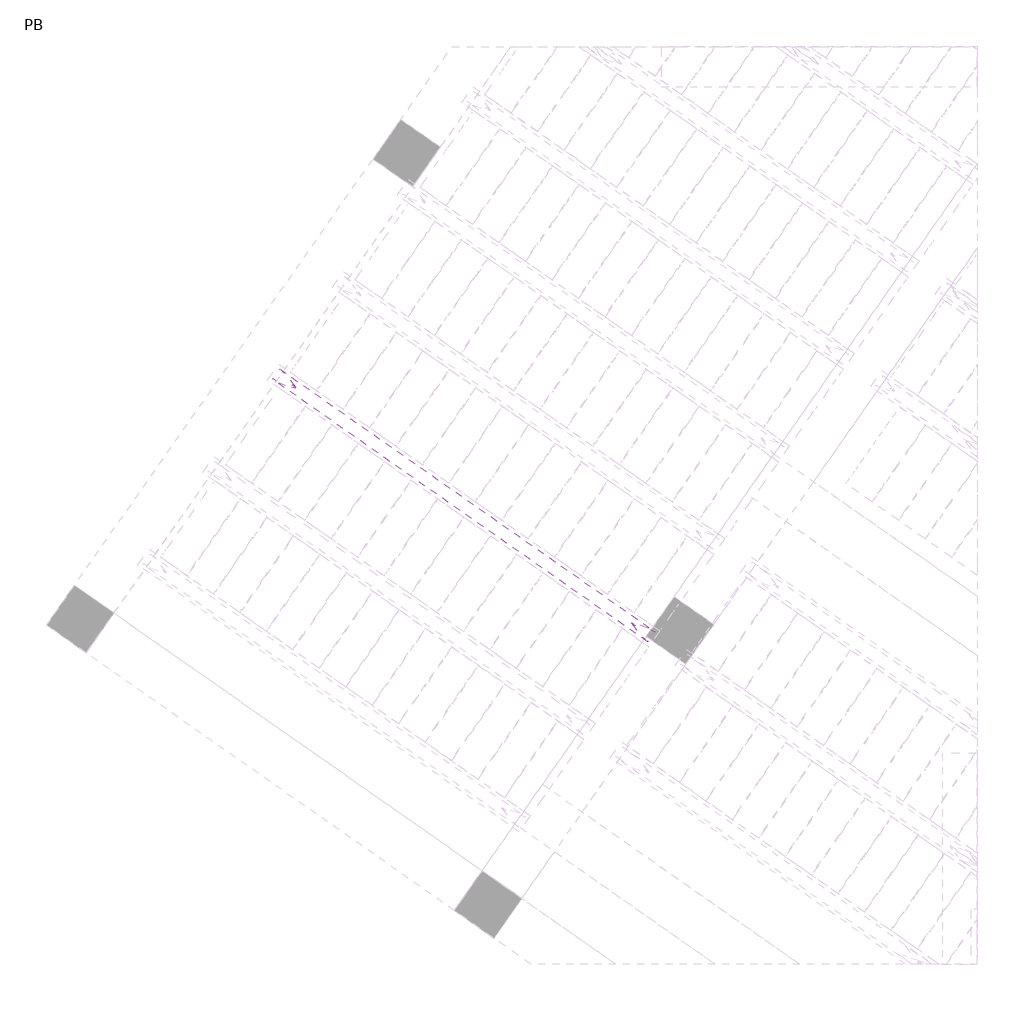
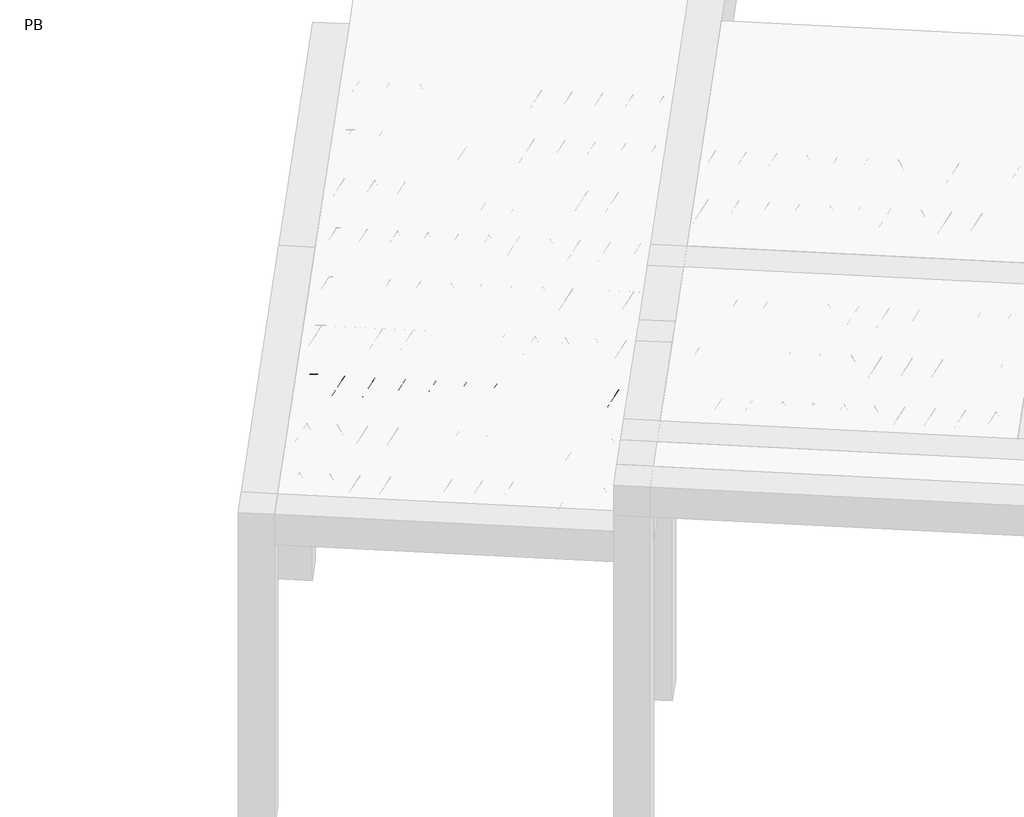
# One storey, part 15 of 56: 1 beam.
"""IFC4 building model written with IfcOpenShell, lengths in millimetres."""

from ifc_helpers import new_model, si_unit, point, frame, origin, origin_2d, place, context, project, spatial, circle_curve, trimmed, segment, composite_curve, outline, extrude, element, save

model = new_model("IFC4")

# Units and contexts
model_context = context("Model", 3, world=origin())
ifc_project = project(units=[si_unit("LENGTHUNIT", "METRE", prefix="MILLI")], contexts=[model_context])

# Site, building, storey
site = spatial("IfcSite", under=ifc_project)
building = spatial("IfcBuilding", under=site)
storey = spatial("IfcBuildingStorey", under=building, Name="PB", Elevation=95940.0)

# Beam
placement = place(None, origin())
element("IfcBeam", 1, at=placement, inside=storey, context=model_context, shape_type="SweptSolid", body=[
    extrude(outline(composite_curve([segment(trimmed(circle_curve(origin_2d(), 2.5), [point((-2.4999999, 0.0))], [point((2.5, 0.0))], False, "CARTESIAN"), True, "CONTINUOUS"), segment(trimmed(circle_curve(origin_2d(), 2.5), [point((2.5, 0.0))], [point((-2.4999999, 0.0))], False, "CARTESIAN"), True, "CONTINUOUS")], self_intersect=False)), frame((1945.5085903, 2195.4218762, 98785.0), z_axis=(-0.8191520442696126, 0.5735764363787226, 0.0), x_axis=(0.5735764363787226, 0.8191520442696126, 0.0)), (0.0, 0.0, 1.0), 2836.708809),
    extrude(outline(composite_curve([segment(trimmed(circle_curve(origin_2d(), 2.5), [point((-2.5, 0.0))], [point((2.5, 0.0))], False, "CARTESIAN"), True, "CONTINUOUS"), segment(trimmed(circle_curve(origin_2d(), 2.5), [point((2.5, 0.0))], [point((-2.5, 0.0))], False, "CARTESIAN"), True, "CONTINUOUS")], self_intersect=False)), frame((1869.2070896, 2292.7966474, 99010.0), z_axis=(-0.8191520442696126, 0.5735764363787226, 0.0), x_axis=(0.5735764363787226, 0.8191520442696126, 0.0)), (0.0, 0.0, 1.0), 2600.0),
    extrude(outline(composite_curve([segment(trimmed(circle_curve(origin_2d(), 2.5), [point((-2.5, 0.0))], [point((2.5, 0.0))], False, "CARTESIAN"), True, "CONTINUOUS"), segment(trimmed(circle_curve(origin_2d(), 2.5), [point((2.5, 0.0))], [point((-2.5, 0.0))], False, "CARTESIAN"), True, "CONTINUOUS")], self_intersect=False)), frame((1909.9947412, 2220.2889411, 98785.0), z_axis=(-0.3145304735701046, 0.38933448886848654, 0.8657304643902053), x_axis=(0.7778747638402499, 0.6284193279813057, 0.0)), (0.0, 0.0, 1.0), 259.8961331),
    extrude(outline(composite_curve([segment(trimmed(circle_curve(origin_2d(), 2.5), [point((2.5, 0.0))], [point((-2.5, 0.0))], False, "CARTESIAN"), True, "CONTINUOUS"), segment(trimmed(circle_curve(origin_2d(), 2.5), [point((-2.5, 0.0))], [point((2.5, 0.0))], False, "CARTESIAN"), True, "CONTINUOUS")], self_intersect=False)), frame((1705.2067301, 2363.6830502, 98785.0), z_axis=(0.47343050384693375, -0.16240172737369005, 0.8657304643902051), x_axis=(-0.3244721671091268, -0.9458952440791246, 0.0)), (0.0, 0.0, 1.0), 259.8961331),
    extrude(outline(composite_curve([segment(trimmed(circle_curve(origin_2d(), 2.5), [point((-2.5, -1e-07))], [point((2.5, 0.0))], False, "CARTESIAN"), True, "CONTINUOUS"), segment(trimmed(circle_curve(origin_2d(), 2.5), [point((2.5, 0.0))], [point((-2.5, -1e-07))], False, "CARTESIAN"), True, "CONTINUOUS")], self_intersect=False)), frame((1705.2067301, 2363.6830502, 98785.0), z_axis=(-0.3145304735701046, 0.38933448886848654, 0.8657304643902053), x_axis=(0.7778747638402499, 0.6284193279813057, 0.0)), (0.0, 0.0, 1.0), 259.8961331),
    extrude(outline(composite_curve([segment(trimmed(circle_curve(origin_2d(), 2.5), [point((2.5, -1e-07))], [point((-2.5, 0.0))], False, "CARTESIAN"), True, "CONTINUOUS"), segment(trimmed(circle_curve(origin_2d(), 2.5), [point((-2.5, 0.0))], [point((2.5, -1e-07))], False, "CARTESIAN"), True, "CONTINUOUS")], self_intersect=False)), frame((1500.4187191, 2507.0771593, 98785.0), z_axis=(0.47343050384693375, -0.16240172737369005, 0.8657304643902051), x_axis=(-0.3244721671091268, -0.9458952440791246, 0.0)), (0.0, 0.0, 1.0), 259.8961331),
    extrude(outline(composite_curve([segment(trimmed(circle_curve(origin_2d(), 2.5), [point((-2.5000001, 0.0))], [point((2.5, 0.0))], False, "CARTESIAN"), True, "CONTINUOUS"), segment(trimmed(circle_curve(origin_2d(), 2.5), [point((2.5, 0.0))], [point((-2.5000001, 0.0))], False, "CARTESIAN"), True, "CONTINUOUS")], self_intersect=False)), frame((1500.4187191, 2507.0771593, 98785.0), z_axis=(-0.3145304735701046, 0.38933448886848654, 0.8657304643902053), x_axis=(0.7778747638402499, 0.6284193279813057, 0.0)), (0.0, 0.0, 1.0), 259.8961331),
    extrude(outline(composite_curve([segment(trimmed(circle_curve(origin_2d(), 2.5), [point((2.5000001, 0.0))], [point((-2.5, 0.0))], False, "CARTESIAN"), True, "CONTINUOUS"), segment(trimmed(circle_curve(origin_2d(), 2.5), [point((-2.5, 0.0))], [point((2.5000001, 0.0))], False, "CARTESIAN"), True, "CONTINUOUS")], self_intersect=False)), frame((1295.630708, 2650.4712684, 98785.0), z_axis=(0.47343050384693375, -0.16240172737369005, 0.8657304643902051), x_axis=(-0.3244721671091268, -0.9458952440791246, 0.0)), (0.0, 0.0, 1.0), 259.8961331),
    extrude(outline(composite_curve([segment(trimmed(circle_curve(origin_2d(), 2.5), [point((-2.5, -1e-07))], [point((2.5, 0.0))], False, "CARTESIAN"), True, "CONTINUOUS"), segment(trimmed(circle_curve(origin_2d(), 2.5), [point((2.5, 0.0))], [point((-2.5, -1e-07))], False, "CARTESIAN"), True, "CONTINUOUS")], self_intersect=False)), frame((1295.630708, 2650.4712684, 98785.0), z_axis=(-0.3145304735701046, 0.38933448886848654, 0.8657304643902053), x_axis=(0.7778747638402499, 0.6284193279813057, 0.0)), (0.0, 0.0, 1.0), 259.8961331),
    extrude(outline(composite_curve([segment(trimmed(circle_curve(origin_2d(), 2.5), [point((2.5000001, 0.0))], [point((-2.5, 0.0))], False, "CARTESIAN"), True, "CONTINUOUS"), segment(trimmed(circle_curve(origin_2d(), 2.5), [point((-2.5, 0.0))], [point((2.5000001, 0.0))], False, "CARTESIAN"), True, "CONTINUOUS")], self_intersect=False)), frame((1090.8426969, 2793.8653775, 98785.0), z_axis=(0.47343050384693375, -0.16240172737369005, 0.8657304643902051), x_axis=(-0.3244721671091268, -0.9458952440791246, 0.0)), (0.0, 0.0, 1.0), 259.8961331),
    extrude(outline(composite_curve([segment(trimmed(circle_curve(origin_2d(), 2.5), [point((-2.5, 0.0))], [point((2.5, 0.0))], False, "CARTESIAN"), True, "CONTINUOUS"), segment(trimmed(circle_curve(origin_2d(), 2.5), [point((2.5, 0.0))], [point((-2.5, 0.0))], False, "CARTESIAN"), True, "CONTINUOUS")], self_intersect=False)), frame((1090.8426966, 2793.8653777, 98785.0), z_axis=(-0.3145304735701046, 0.38933448886848654, 0.8657304643902053), x_axis=(0.7778747638402499, 0.6284193279813057, 0.0)), (0.0, 0.0, 1.0), 259.8961331),
    extrude(outline(composite_curve([segment(trimmed(circle_curve(origin_2d(), 2.5), [point((2.5, 0.0))], [point((-2.5, 0.0))], False, "CARTESIAN"), True, "CONTINUOUS"), segment(trimmed(circle_curve(origin_2d(), 2.5), [point((-2.5, 0.0))], [point((2.5, 0.0))], False, "CARTESIAN"), True, "CONTINUOUS")], self_intersect=False)), frame((886.0546855, 2937.2594868, 98785.0), z_axis=(0.47343050384693375, -0.16240172737369005, 0.8657304643902051), x_axis=(-0.3244721671091268, -0.9458952440791246, 0.0)), (0.0, 0.0, 1.0), 259.8961331),
    extrude(outline(composite_curve([segment(trimmed(circle_curve(origin_2d(), 2.5), [point((-2.5, 0.0))], [point((2.5, 0.0))], False, "CARTESIAN"), True, "CONTINUOUS"), segment(trimmed(circle_curve(origin_2d(), 2.5), [point((2.5, 0.0))], [point((-2.5, 0.0))], False, "CARTESIAN"), True, "CONTINUOUS")], self_intersect=False)), frame((886.0546855, 2937.2594868, 98785.0), z_axis=(-0.3145304735701046, 0.38933448886848654, 0.8657304643902053), x_axis=(0.7778747638402499, 0.6284193279813057, 0.0)), (0.0, 0.0, 1.0), 259.8961331),
    extrude(outline(composite_curve([segment(trimmed(circle_curve(origin_2d(), 2.5), [point((2.5, -1e-07))], [point((-2.5, 0.0))], False, "CARTESIAN"), True, "CONTINUOUS"), segment(trimmed(circle_curve(origin_2d(), 2.5), [point((-2.5, 0.0))], [point((2.5, -1e-07))], False, "CARTESIAN"), True, "CONTINUOUS")], self_intersect=False)), frame((681.2666745, 3080.6535959, 98785.0), z_axis=(0.47343050384693375, -0.16240172737369005, 0.8657304643902051), x_axis=(-0.3244721671091268, -0.9458952440791246, 0.0)), (0.0, 0.0, 1.0), 259.8961331),
    extrude(outline(composite_curve([segment(trimmed(circle_curve(origin_2d(), 2.5), [point((-2.5000001, 1e-07))], [point((2.5, 0.0))], False, "CARTESIAN"), True, "CONTINUOUS"), segment(trimmed(circle_curve(origin_2d(), 2.5), [point((2.5, 0.0))], [point((-2.5000001, 1e-07))], False, "CARTESIAN"), True, "CONTINUOUS")], self_intersect=False)), frame((681.2666745, 3080.6535959, 98785.0), z_axis=(-0.3145304735701046, 0.38933448886848654, 0.8657304643902053), x_axis=(0.7778747638402499, 0.6284193279813057, 0.0)), (0.0, 0.0, 1.0), 259.8961331),
    extrude(outline(composite_curve([segment(trimmed(circle_curve(origin_2d(), 2.5), [point((2.5, 0.0))], [point((-2.5, 0.0))], False, "CARTESIAN"), True, "CONTINUOUS"), segment(trimmed(circle_curve(origin_2d(), 2.5), [point((-2.5, 0.0))], [point((2.5, 0.0))], False, "CARTESIAN"), True, "CONTINUOUS")], self_intersect=False)), frame((476.4786634, 3224.047705, 98785.0), z_axis=(0.47343050384693375, -0.16240172737369005, 0.8657304643902051), x_axis=(-0.3244721671091268, -0.9458952440791246, 0.0)), (0.0, 0.0, 1.0), 259.8961331),
    extrude(outline(composite_curve([segment(trimmed(circle_curve(origin_2d(), 2.5), [point((-2.5, -1e-07))], [point((2.5, 0.0))], False, "CARTESIAN"), True, "CONTINUOUS"), segment(trimmed(circle_curve(origin_2d(), 2.5), [point((2.5, 0.0))], [point((-2.5, -1e-07))], False, "CARTESIAN"), True, "CONTINUOUS")], self_intersect=False)), frame((476.4786634, 3224.047705, 98785.0), z_axis=(-0.3145304735701046, 0.38933448886848654, 0.8657304643902053), x_axis=(0.7778747638402499, 0.6284193279813057, 0.0)), (0.0, 0.0, 1.0), 259.8961331),
    extrude(outline(composite_curve([segment(trimmed(circle_curve(origin_2d(), 2.5), [point((2.5, 0.0))], [point((-2.5, 0.0))], False, "CARTESIAN"), True, "CONTINUOUS"), segment(trimmed(circle_curve(origin_2d(), 2.5), [point((-2.5, 0.0))], [point((2.5, 0.0))], False, "CARTESIAN"), True, "CONTINUOUS")], self_intersect=False)), frame((271.6906523, 3367.4418141, 98785.0), z_axis=(0.47343050384693375, -0.16240172737369005, 0.8657304643902051), x_axis=(-0.3244721671091268, -0.9458952440791246, 0.0)), (0.0, 0.0, 1.0), 259.8961331),
    extrude(outline(composite_curve([segment(trimmed(circle_curve(origin_2d(), 2.5), [point((-2.5, -1e-07))], [point((2.5, 0.0))], False, "CARTESIAN"), True, "CONTINUOUS"), segment(trimmed(circle_curve(origin_2d(), 2.5), [point((2.5, 0.0))], [point((-2.5, -1e-07))], False, "CARTESIAN"), True, "CONTINUOUS")], self_intersect=False)), frame((271.6906523, 3367.4418141, 98785.0), z_axis=(-0.3145304735701046, 0.38933448886848654, 0.8657304643902053), x_axis=(0.7778747638402499, 0.6284193279813057, 0.0)), (0.0, 0.0, 1.0), 259.8961331),
    extrude(outline(composite_curve([segment(trimmed(circle_curve(origin_2d(), 2.5), [point((2.5000001, 0.0))], [point((-2.5, 0.0))], False, "CARTESIAN"), True, "CONTINUOUS"), segment(trimmed(circle_curve(origin_2d(), 2.5), [point((-2.5, 0.0))], [point((2.5000001, 0.0))], False, "CARTESIAN"), True, "CONTINUOUS")], self_intersect=False)), frame((66.9026413, 3510.8359232, 98785.0), z_axis=(0.47343050384693375, -0.16240172737369005, 0.8657304643902051), x_axis=(-0.3244721671091268, -0.9458952440791246, 0.0)), (0.0, 0.0, 1.0), 259.8961331),
    extrude(outline(composite_curve([segment(trimmed(circle_curve(origin_2d(), 2.5), [point((-2.5000001, 0.0))], [point((2.5, 0.0))], False, "CARTESIAN"), True, "CONTINUOUS"), segment(trimmed(circle_curve(origin_2d(), 2.5), [point((2.5, 0.0))], [point((-2.5000001, 0.0))], False, "CARTESIAN"), True, "CONTINUOUS")], self_intersect=False)), frame((66.9026413, 3510.8359232, 98785.0), z_axis=(-0.3145304735701046, 0.38933448886848654, 0.8657304643902053), x_axis=(0.7778747638402499, 0.6284193279813057, 0.0)), (0.0, 0.0, 1.0), 259.8961331),
    extrude(outline(composite_curve([segment(trimmed(circle_curve(origin_2d(), 2.5), [point((2.5, 0.0))], [point((-2.5000001, 0.0))], False, "CARTESIAN"), True, "CONTINUOUS"), segment(trimmed(circle_curve(origin_2d(), 2.5), [point((-2.5000001, 0.0))], [point((2.5, 0.0))], False, "CARTESIAN"), True, "CONTINUOUS")], self_intersect=False)), frame((-137.8853698, 3654.2300322, 98785.0), z_axis=(0.47343050384693375, -0.16240172737369005, 0.8657304643902051), x_axis=(-0.3244721671091268, -0.9458952440791246, 0.0)), (0.0, 0.0, 1.0), 259.8961331),
    extrude(outline(composite_curve([segment(trimmed(circle_curve(origin_2d(), 2.5), [point((-2.5, -1e-07))], [point((2.5, 0.0))], False, "CARTESIAN"), True, "CONTINUOUS"), segment(trimmed(circle_curve(origin_2d(), 2.5), [point((2.5, 0.0))], [point((-2.5, -1e-07))], False, "CARTESIAN"), True, "CONTINUOUS")], self_intersect=False)), frame((-137.8853698, 3654.2300323, 98785.0), z_axis=(-0.3145304735701046, 0.38933448886848654, 0.8657304643902053), x_axis=(0.7778747638402499, 0.6284193279813057, 0.0)), (0.0, 0.0, 1.0), 259.8961331),
    extrude(outline(composite_curve([segment(trimmed(circle_curve(origin_2d(), 2.5), [point((2.5, 0.0))], [point((-2.5000001, 0.0))], False, "CARTESIAN"), True, "CONTINUOUS"), segment(trimmed(circle_curve(origin_2d(), 2.5), [point((-2.5000001, 0.0))], [point((2.5, 0.0))], False, "CARTESIAN"), True, "CONTINUOUS")], self_intersect=False)), frame((-342.6733809, 3797.6241413, 98785.0), z_axis=(0.47343050384693375, -0.16240172737369005, 0.8657304643902051), x_axis=(-0.3244721671091268, -0.9458952440791246, 0.0)), (0.0, 0.0, 1.0), 259.8961331),
    extrude(outline(composite_curve([segment(trimmed(circle_curve(origin_2d(), 2.5), [point((-2.5, 0.0))], [point((2.5, 0.0))], False, "CARTESIAN"), True, "CONTINUOUS"), segment(trimmed(circle_curve(origin_2d(), 2.5), [point((2.5, 0.0))], [point((-2.5, 0.0))], False, "CARTESIAN"), True, "CONTINUOUS")], self_intersect=False)), frame((1986.8060938, 2254.4008234, 98785.0), z_axis=(-0.8191520442696126, 0.5735764363787226, 0.0), x_axis=(0.5735764363787226, 0.8191520442696126, 0.0)), (0.0, 0.0, 1.0), 2836.708809),
    extrude(outline(composite_curve([segment(trimmed(circle_curve(origin_2d(), 2.5), [point((-2.5, 0.0))], [point((2.5, 0.0))], False, "CARTESIAN"), True, "CONTINUOUS"), segment(trimmed(circle_curve(origin_2d(), 2.5), [point((2.5, 0.0))], [point((-2.5, 0.0))], False, "CARTESIAN"), True, "CONTINUOUS")], self_intersect=False)), frame((1951.2922446, 2279.2678883, 98785.0), z_axis=(-0.47343050384693375, 0.16240172737369005, 0.8657304643902051), x_axis=(0.3244721671091268, 0.9458952440791246, 0.0)), (0.0, 0.0, 1.0), 259.8961331),
    extrude(outline(composite_curve([segment(trimmed(circle_curve(origin_2d(), 2.5), [point((2.5, 1e-07))], [point((-2.5000001, 1e-07))], False, "CARTESIAN"), True, "CONTINUOUS"), segment(trimmed(circle_curve(origin_2d(), 2.5), [point((-2.5000001, 1e-07))], [point((2.5, 1e-07))], False, "CARTESIAN"), True, "CONTINUOUS")], self_intersect=False)), frame((1746.5042335, 2422.6619974, 98785.0), z_axis=(0.3145304735701046, -0.38933448886848654, 0.8657304643902053), x_axis=(-0.7778747638402499, -0.6284193279813057, 0.0)), (0.0, 0.0, 1.0), 259.8961331),
    extrude(outline(composite_curve([segment(trimmed(circle_curve(origin_2d(), 2.5), [point((-2.5000001, 0.0))], [point((2.5, -1e-07))], False, "CARTESIAN"), True, "CONTINUOUS"), segment(trimmed(circle_curve(origin_2d(), 2.5), [point((2.5, -1e-07))], [point((-2.5000001, 0.0))], False, "CARTESIAN"), True, "CONTINUOUS")], self_intersect=False)), frame((1746.5042335, 2422.6619974, 98785.0), z_axis=(-0.47343050384693375, 0.16240172737369005, 0.8657304643902051), x_axis=(0.3244721671091268, 0.9458952440791246, 0.0)), (0.0, 0.0, 1.0), 259.8961331),
    extrude(outline(composite_curve([segment(trimmed(circle_curve(origin_2d(), 2.5), [point((2.5, 0.0))], [point((-2.5, -1e-07))], False, "CARTESIAN"), True, "CONTINUOUS"), segment(trimmed(circle_curve(origin_2d(), 2.5), [point((-2.5, -1e-07))], [point((2.5, 0.0))], False, "CARTESIAN"), True, "CONTINUOUS")], self_intersect=False)), frame((1541.7162225, 2566.0561064, 98785.0), z_axis=(0.3145304735701046, -0.38933448886848654, 0.8657304643902053), x_axis=(-0.7778747638402499, -0.6284193279813057, 0.0)), (0.0, 0.0, 1.0), 259.8961331),
    extrude(outline(composite_curve([segment(trimmed(circle_curve(origin_2d(), 2.5), [point((-2.5000001, 0.0))], [point((2.5, 0.0))], False, "CARTESIAN"), True, "CONTINUOUS"), segment(trimmed(circle_curve(origin_2d(), 2.5), [point((2.5, 0.0))], [point((-2.5000001, 0.0))], False, "CARTESIAN"), True, "CONTINUOUS")], self_intersect=False)), frame((1541.7162225, 2566.0561065, 98785.0), z_axis=(-0.47343050384693375, 0.16240172737369005, 0.8657304643902051), x_axis=(0.3244721671091268, 0.9458952440791246, 0.0)), (0.0, 0.0, 1.0), 259.8961331),
    extrude(outline(composite_curve([segment(trimmed(circle_curve(origin_2d(), 2.5), [point((2.5, 0.0))], [point((-2.5, -1e-07))], False, "CARTESIAN"), True, "CONTINUOUS"), segment(trimmed(circle_curve(origin_2d(), 2.5), [point((-2.5, -1e-07))], [point((2.5, 0.0))], False, "CARTESIAN"), True, "CONTINUOUS")], self_intersect=False)), frame((1336.9282114, 2709.4502155, 98785.0), z_axis=(0.3145304735701046, -0.38933448886848654, 0.8657304643902053), x_axis=(-0.7778747638402499, -0.6284193279813057, 0.0)), (0.0, 0.0, 1.0), 259.8961331),
    extrude(outline(composite_curve([segment(trimmed(circle_curve(origin_2d(), 2.5), [point((-2.5, 0.0))], [point((2.5000001, 0.0))], False, "CARTESIAN"), True, "CONTINUOUS"), segment(trimmed(circle_curve(origin_2d(), 2.5), [point((2.5000001, 0.0))], [point((-2.5, 0.0))], False, "CARTESIAN"), True, "CONTINUOUS")], self_intersect=False)), frame((1336.9282114, 2709.4502155, 98785.0), z_axis=(-0.47343050384693375, 0.16240172737369005, 0.8657304643902051), x_axis=(0.3244721671091268, 0.9458952440791246, 0.0)), (0.0, 0.0, 1.0), 259.8961331),
    extrude(outline(composite_curve([segment(trimmed(circle_curve(origin_2d(), 2.5), [point((2.5, 0.0))], [point((-2.5, -1e-07))], False, "CARTESIAN"), True, "CONTINUOUS"), segment(trimmed(circle_curve(origin_2d(), 2.5), [point((-2.5, -1e-07))], [point((2.5, 0.0))], False, "CARTESIAN"), True, "CONTINUOUS")], self_intersect=False)), frame((1132.1402003, 2852.8443246, 98785.0), z_axis=(0.3145304735701046, -0.38933448886848654, 0.8657304643902053), x_axis=(-0.7778747638402499, -0.6284193279813057, 0.0)), (0.0, 0.0, 1.0), 259.8961331),
    extrude(outline(composite_curve([segment(trimmed(circle_curve(origin_2d(), 2.5), [point((-2.5, 0.0))], [point((2.5, 0.0))], False, "CARTESIAN"), True, "CONTINUOUS"), segment(trimmed(circle_curve(origin_2d(), 2.5), [point((2.5, 0.0))], [point((-2.5, 0.0))], False, "CARTESIAN"), True, "CONTINUOUS")], self_intersect=False)), frame((1132.1402, 2852.8443249, 98785.0), z_axis=(-0.47343050384693375, 0.16240172737369005, 0.8657304643902051), x_axis=(0.3244721671091268, 0.9458952440791246, 0.0)), (0.0, 0.0, 1.0), 259.8961331),
    extrude(outline(composite_curve([segment(trimmed(circle_curve(origin_2d(), 2.5), [point((2.5, 1e-07))], [point((-2.5000001, 1e-07))], False, "CARTESIAN"), True, "CONTINUOUS"), segment(trimmed(circle_curve(origin_2d(), 2.5), [point((-2.5000001, 1e-07))], [point((2.5, 1e-07))], False, "CARTESIAN"), True, "CONTINUOUS")], self_intersect=False)), frame((927.3521889, 2996.238434, 98785.0), z_axis=(0.3145304735701046, -0.38933448886848654, 0.8657304643902053), x_axis=(-0.7778747638402499, -0.6284193279813057, 0.0)), (0.0, 0.0, 1.0), 259.8961331),
    extrude(outline(composite_curve([segment(trimmed(circle_curve(origin_2d(), 2.5), [point((-2.5, 0.0))], [point((2.5, -1e-07))], False, "CARTESIAN"), True, "CONTINUOUS"), segment(trimmed(circle_curve(origin_2d(), 2.5), [point((2.5, -1e-07))], [point((-2.5, 0.0))], False, "CARTESIAN"), True, "CONTINUOUS")], self_intersect=False)), frame((927.3521889, 2996.238434, 98785.0), z_axis=(-0.47343050384693375, 0.16240172737369005, 0.8657304643902051), x_axis=(0.3244721671091268, 0.9458952440791246, 0.0)), (0.0, 0.0, 1.0), 259.8961331),
    extrude(outline(composite_curve([segment(trimmed(circle_curve(origin_2d(), 2.5), [point((2.5, 1e-07))], [point((-2.5, 0.0))], False, "CARTESIAN"), True, "CONTINUOUS"), segment(trimmed(circle_curve(origin_2d(), 2.5), [point((-2.5, 0.0))], [point((2.5, 1e-07))], False, "CARTESIAN"), True, "CONTINUOUS")], self_intersect=False)), frame((722.5641779, 3139.6325431, 98785.0), z_axis=(0.3145304735701046, -0.38933448886848654, 0.8657304643902053), x_axis=(-0.7778747638402499, -0.6284193279813057, 0.0)), (0.0, 0.0, 1.0), 259.8961331),
    extrude(outline(composite_curve([segment(trimmed(circle_curve(origin_2d(), 2.5), [point((-2.5000001, 0.0))], [point((2.5, 0.0))], False, "CARTESIAN"), True, "CONTINUOUS"), segment(trimmed(circle_curve(origin_2d(), 2.5), [point((2.5, 0.0))], [point((-2.5000001, 0.0))], False, "CARTESIAN"), True, "CONTINUOUS")], self_intersect=False)), frame((722.5641779, 3139.6325431, 98785.0), z_axis=(-0.47343050384693375, 0.16240172737369005, 0.8657304643902051), x_axis=(0.3244721671091268, 0.9458952440791246, 0.0)), (0.0, 0.0, 1.0), 259.8961331),
    extrude(outline(composite_curve([segment(trimmed(circle_curve(origin_2d(), 2.5), [point((2.5, 1e-07))], [point((-2.5, 0.0))], False, "CARTESIAN"), True, "CONTINUOUS"), segment(trimmed(circle_curve(origin_2d(), 2.5), [point((-2.5, 0.0))], [point((2.5, 1e-07))], False, "CARTESIAN"), True, "CONTINUOUS")], self_intersect=False)), frame((517.7761668, 3283.0266522, 98785.0), z_axis=(0.3145304735701046, -0.38933448886848654, 0.8657304643902053), x_axis=(-0.7778747638402499, -0.6284193279813057, 0.0)), (0.0, 0.0, 1.0), 259.8961331),
    extrude(outline(composite_curve([segment(trimmed(circle_curve(origin_2d(), 2.5), [point((-2.5000001, 0.0))], [point((2.5, 0.0))], False, "CARTESIAN"), True, "CONTINUOUS"), segment(trimmed(circle_curve(origin_2d(), 2.5), [point((2.5, 0.0))], [point((-2.5000001, 0.0))], False, "CARTESIAN"), True, "CONTINUOUS")], self_intersect=False)), frame((517.7761668, 3283.0266522, 98785.0), z_axis=(-0.47343050384693375, 0.16240172737369005, 0.8657304643902051), x_axis=(0.3244721671091268, 0.9458952440791246, 0.0)), (0.0, 0.0, 1.0), 259.8961331),
    extrude(outline(composite_curve([segment(trimmed(circle_curve(origin_2d(), 2.5), [point((2.5, 0.0))], [point((-2.5000001, 0.0))], False, "CARTESIAN"), True, "CONTINUOUS"), segment(trimmed(circle_curve(origin_2d(), 2.5), [point((-2.5000001, 0.0))], [point((2.5, 0.0))], False, "CARTESIAN"), True, "CONTINUOUS")], self_intersect=False)), frame((312.9881557, 3426.4207612, 98785.0), z_axis=(0.3145304735701046, -0.38933448886848654, 0.8657304643902053), x_axis=(-0.7778747638402499, -0.6284193279813057, 0.0)), (0.0, 0.0, 1.0), 259.8961331),
    extrude(outline(composite_curve([segment(trimmed(circle_curve(origin_2d(), 2.5), [point((-2.5, 0.0))], [point((2.5000001, 0.0))], False, "CARTESIAN"), True, "CONTINUOUS"), segment(trimmed(circle_curve(origin_2d(), 2.5), [point((2.5000001, 0.0))], [point((-2.5, 0.0))], False, "CARTESIAN"), True, "CONTINUOUS")], self_intersect=False)), frame((312.9881557, 3426.4207612, 98785.0), z_axis=(-0.47343050384693375, 0.16240172737369005, 0.8657304643902051), x_axis=(0.3244721671091268, 0.9458952440791246, 0.0)), (0.0, 0.0, 1.0), 259.8961331),
    extrude(outline(composite_curve([segment(trimmed(circle_curve(origin_2d(), 2.5), [point((2.5, 0.0))], [point((-2.5, -1e-07))], False, "CARTESIAN"), True, "CONTINUOUS"), segment(trimmed(circle_curve(origin_2d(), 2.5), [point((-2.5, -1e-07))], [point((2.5, 0.0))], False, "CARTESIAN"), True, "CONTINUOUS")], self_intersect=False)), frame((108.2001447, 3569.8148703, 98785.0), z_axis=(0.3145304735701046, -0.38933448886848654, 0.8657304643902053), x_axis=(-0.7778747638402499, -0.6284193279813057, 0.0)), (0.0, 0.0, 1.0), 259.8961331),
    extrude(outline(composite_curve([segment(trimmed(circle_curve(origin_2d(), 2.5), [point((-2.5, 0.0))], [point((2.5000001, 0.0))], False, "CARTESIAN"), True, "CONTINUOUS"), segment(trimmed(circle_curve(origin_2d(), 2.5), [point((2.5000001, 0.0))], [point((-2.5, 0.0))], False, "CARTESIAN"), True, "CONTINUOUS")], self_intersect=False)), frame((108.2001447, 3569.8148703, 98785.0), z_axis=(-0.47343050384693375, 0.16240172737369005, 0.8657304643902051), x_axis=(0.3244721671091268, 0.9458952440791246, 0.0)), (0.0, 0.0, 1.0), 259.8961331),
    extrude(outline(composite_curve([segment(trimmed(circle_curve(origin_2d(), 2.5), [point((2.5, 0.0))], [point((-2.5, -1e-07))], False, "CARTESIAN"), True, "CONTINUOUS"), segment(trimmed(circle_curve(origin_2d(), 2.5), [point((-2.5, -1e-07))], [point((2.5, 0.0))], False, "CARTESIAN"), True, "CONTINUOUS")], self_intersect=False)), frame((-96.5878664, 3713.2089794, 98785.0), z_axis=(0.3145304735701046, -0.38933448886848654, 0.8657304643902053), x_axis=(-0.7778747638402499, -0.6284193279813057, 0.0)), (0.0, 0.0, 1.0), 259.8961331),
    extrude(outline(composite_curve([segment(trimmed(circle_curve(origin_2d(), 2.5), [point((-2.5, 0.0))], [point((2.5, 0.0))], False, "CARTESIAN"), True, "CONTINUOUS"), segment(trimmed(circle_curve(origin_2d(), 2.5), [point((2.5, 0.0))], [point((-2.5, 0.0))], False, "CARTESIAN"), True, "CONTINUOUS")], self_intersect=False)), frame((-96.5878664, 3713.2089794, 98785.0), z_axis=(-0.47343050384693375, 0.16240172737369005, 0.8657304643902051), x_axis=(0.3244721671091268, 0.9458952440791246, 0.0)), (0.0, 0.0, 1.0), 259.8961331),
    extrude(outline(composite_curve([segment(trimmed(circle_curve(origin_2d(), 2.5), [point((2.5, 0.0))], [point((-2.5, -1e-07))], False, "CARTESIAN"), True, "CONTINUOUS"), segment(trimmed(circle_curve(origin_2d(), 2.5), [point((-2.5, -1e-07))], [point((2.5, 0.0))], False, "CARTESIAN"), True, "CONTINUOUS")], self_intersect=False)), frame((-301.3758775, 3856.6030885, 98785.0), z_axis=(0.3145304735701046, -0.38933448886848654, 0.8657304643902053), x_axis=(-0.7778747638402499, -0.6284193279813057, 0.0)), (0.0, 0.0, 1.0), 259.8961331),
])

save(model, "model.ifc")
